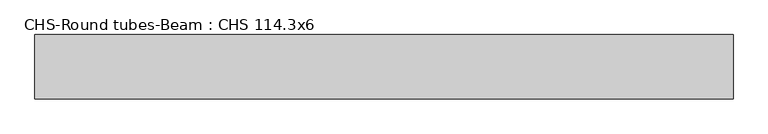
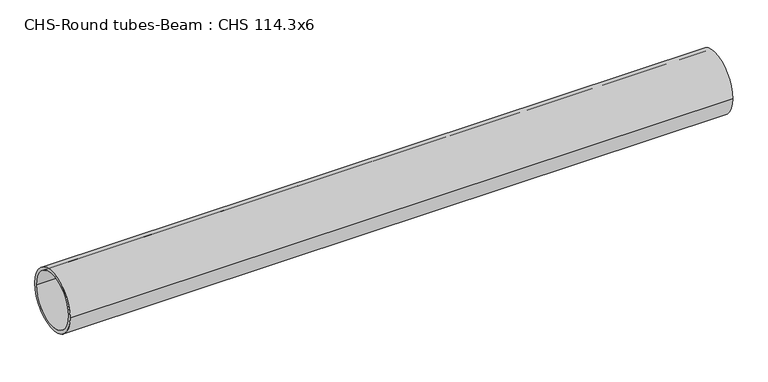
"""IFC4 building model written with IfcOpenShell, lengths in millimetres: beam geometry, CHS-Round tubes-Beam : CHS 114.3x6."""

from ifc_helpers import new_model, si_unit, point, frame, origin, origin_2d, place, context, project, spatial, circle_curve, trimmed, segment, composite_curve, outline, extrude, source, transform, mapped, element, save


def chs_round_tubes_beam_chs_114_3x6_09c47897(model_context):
    return source(origin(), model_context, "Body", "SweptSolid", [
        extrude(outline(composite_curve([segment(trimmed(circle_curve(origin_2d(), 57.15), [point((57.15, 0.0))], [point((-57.15, 0.0))], False, "CARTESIAN"), True, "CONTINUOUS"), segment(trimmed(circle_curve(origin_2d(), 57.15), [point((-57.15, 0.0))], [point((57.15, 0.0))], False, "CARTESIAN"), True, "CONTINUOUS")], self_intersect=False), holes=[composite_curve([segment(trimmed(circle_curve(origin_2d(), 51.15), [point((51.15, 0.0))], [point((-51.15, 0.0))], True, "CARTESIAN"), True, "CONTINUOUS"), segment(trimmed(circle_curve(origin_2d(), 51.15), [point((-51.15, 0.0))], [point((51.15, 0.0))], True, "CARTESIAN"), True, "CONTINUOUS")], self_intersect=False)]), frame((-621.1299887, 0.0, 0.0), z_axis=(1.0, 0.0, 0.0), x_axis=(0.0, 1.0, 0.0)), (0.0, 0.0, 1.0), 1242.260611),
    ])


if __name__ == "__main__":
    model = new_model("IFC4")
    model_context = context("Model", 3, world=origin())
    ifc_project = project(units=[si_unit("LENGTHUNIT", "METRE", prefix="MILLI")], contexts=[model_context])
    site = spatial("IfcSite", under=ifc_project)
    building = spatial("IfcBuilding", under=site)
    placement = place(None, origin())
    chs_round_tubes_beam_chs_114_3x6_shape = chs_round_tubes_beam_chs_114_3x6_09c47897(model_context)
    element("IfcBeam", 1, ObjectType="CHS-Round tubes-Beam : CHS 114.3x6", at=placement, inside=building, context=model_context, shape_type="MappedRepresentation", body=[
        mapped(chs_round_tubes_beam_chs_114_3x6_shape, transform((0.0, 0.0, 0.0), x_axis=(1.0, 0.0, 0.0), y_axis=(0.0, 1.0, 0.0), z_axis=(0.0, 0.0, 1.0))),
    ])
    save(model, "model.ifc")
